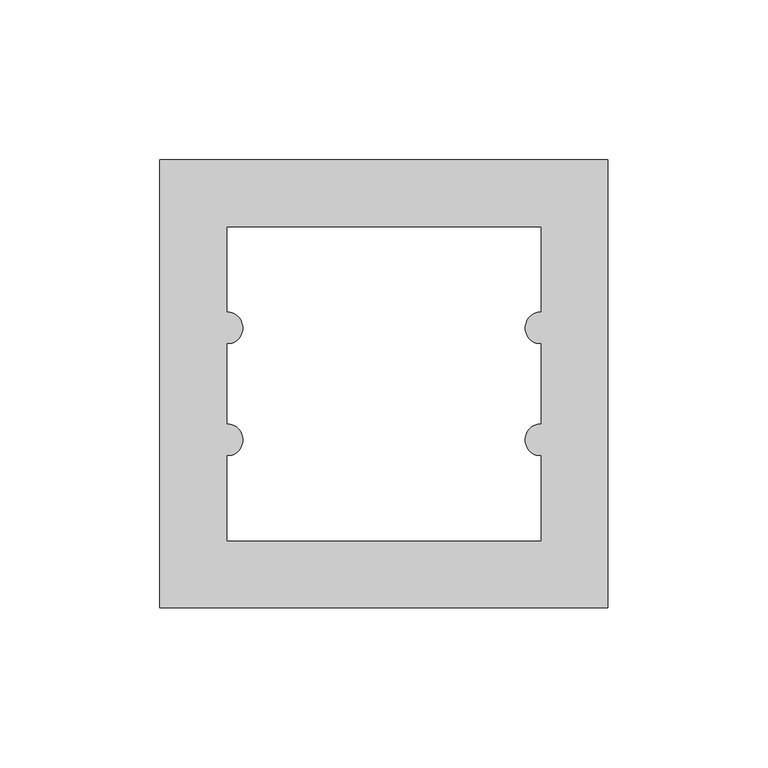
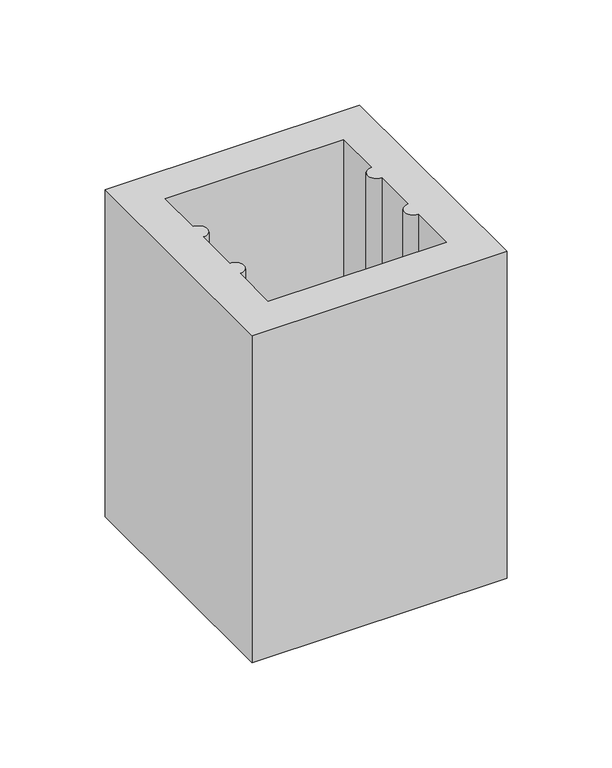
"""IFC4 building model written with IfcOpenShell, lengths in millimetres: proxy geometry."""

import ifcopenshell
import ifcopenshell.guid

model = None  # the IFC model being written
_history = None  # IfcOwnerHistory: only IFC2X3 demands one
_inside = {}  # id of a spatial element -> (the spatial element, [elements in it])
_under = {}  # id of a project, library or spatial element -> (it, [spatial elements below it])
_declared = {}  # id of a project -> (the project, [libraries it declares])
_typed = {}  # id of a type object -> (the type object, [elements of that type])
_made_of = {}  # id of a material, layer set ... -> (it, [elements and type objects made of it])


def new_model(schema):
    """Start an empty IFC model of exactly this schema.

    Asked for "IFC4X3", IfcOpenShell would pick the latest addendum, in which some entities
    have other attributes; the version numbers below select the first issue.
    IFC2X3 requires an IfcOwnerHistory on every rooted entity: one is made here for all.
    """
    global model, _history
    if schema == "IFC4X3":
        model = ifcopenshell.file(schema_version=(4, 3, 0, 0))
    else:
        model = ifcopenshell.file(schema=schema)
    _inside.clear()
    _under.clear()
    _declared.clear()
    _typed.clear()
    _made_of.clear()
    _history = None
    if model.schema == "IFC2X3":
        org = make("IfcOrganization", Name="unknown")
        user = make(
            "IfcPersonAndOrganization",
            ThePerson=make("IfcPerson", FamilyName="unknown"),
            TheOrganization=org,
        )
        app = make(
            "IfcApplication",
            ApplicationDeveloper=org,
            Version="unknown",
            ApplicationFullName="unknown",
            ApplicationIdentifier="unknown",
        )
        _history = make(
            "IfcOwnerHistory",
            OwningUser=user,
            OwningApplication=app,
            ChangeAction="ADDED",
            CreationDate=0,
        )
    return model


def make(cls, **values):
    """One entity of the class cls with the attributes given. An attribute that is None is left unset."""
    return model.create_entity(
        cls, **{name: value for name, value in values.items() if value is not None}
    )


def rooted(cls, **values):
    """An entity with a GlobalId (a new one), such as an element, a storey or a relation."""
    return make(cls, GlobalId=ifcopenshell.guid.new(), OwnerHistory=_history, **values)


def si_unit(unit_type, name, prefix=None):
    """IfcSIUnit, for example si_unit("LENGTHUNIT", "METRE", prefix="MILLI")."""
    return make("IfcSIUnit", UnitType=unit_type, Prefix=prefix, Name=name)


def assignment(units):
    """IfcUnitAssignment: the units of a project."""
    return None if units is None else make("IfcUnitAssignment", Units=units)


def point(xyz):
    """IfcCartesianPoint."""
    return None if xyz is None else make("IfcCartesianPoint", Coordinates=xyz)


def direction(xyz):
    """IfcDirection."""
    return None if xyz is None else make("IfcDirection", DirectionRatios=xyz)


def frame(location, z_axis=None, x_axis=None):
    """IfcAxis2Placement3D, a coordinate frame: its origin and axes. An axis left out is left unset."""
    return make(
        "IfcAxis2Placement3D",
        Location=point(location),
        Axis=direction(z_axis),
        RefDirection=direction(x_axis),
    )


def frame_2d(location, x_axis=None):
    """IfcAxis2Placement2D, a coordinate frame in the plane: its origin and x axis."""
    return make(
        "IfcAxis2Placement2D", Location=point(location), RefDirection=direction(x_axis)
    )


def origin():
    """The frame at (0, 0, 0) with its axes left unset."""
    return frame((0.0, 0.0, 0.0))


def origin_with_axes():
    """The frame at (0, 0, 0) with the z axis (0, 0, 1) and the x axis (1, 0, 0) written out."""
    return frame((0.0, 0.0, 0.0), z_axis=(0.0, 0.0, 1.0), x_axis=(1.0, 0.0, 0.0))


def place(relative_to, where):
    """IfcLocalPlacement: puts the frame where relative to a parent placement (None: the world)."""
    return make(
        "IfcLocalPlacement", PlacementRelTo=relative_to, RelativePlacement=where
    )


def context(
    kind, dimensions, precision=None, world=None, true_north=None, identifier=None
):
    """IfcGeometricRepresentationContext, for example the 3D "Model" context."""
    return make(
        "IfcGeometricRepresentationContext",
        ContextIdentifier=identifier,
        ContextType=kind,
        CoordinateSpaceDimension=dimensions,
        Precision=precision,
        WorldCoordinateSystem=world,
        TrueNorth=true_north,
    )


def project(units=None, contexts=None):
    """IfcProject with its units and contexts."""
    return rooted(
        "IfcProject",
        Name="project",
        RepresentationContexts=contexts,
        UnitsInContext=assignment(units),
    )


def spatial(cls, under=None, at=None, **own):
    """A site, building, storey or space (cls), placed at a placement, below another one or the project."""
    s = rooted(cls, ObjectPlacement=at, **own)
    if under is not None:
        _under.setdefault(under.id(), (under, []))[1].append(s)
    return s


def polyline(points):
    """IfcPolyline through the points."""
    return make("IfcPolyline", Points=[point(p) for p in points])


def circle_curve(where, radius):
    """IfcCircle in the frame where."""
    return make("IfcCircle", Position=where, Radius=radius)


def trimmed(basis, trim1, trim2, sense, master):
    """IfcTrimmedCurve: the piece of a basis curve between two trims."""
    return make(
        "IfcTrimmedCurve",
        BasisCurve=basis,
        Trim1=trim1,
        Trim2=trim2,
        SenseAgreement=sense,
        MasterRepresentation=master,
    )


def segment(curve, same_sense, transition):
    """IfcCompositeCurveSegment."""
    return make(
        "IfcCompositeCurveSegment",
        Transition=transition,
        SameSense=same_sense,
        ParentCurve=curve,
    )


def composite_curve(segments, self_intersect=None):
    """IfcCompositeCurve: segments joined end to end."""
    return make("IfcCompositeCurve", Segments=segments, SelfIntersect=self_intersect)


def outline(outer, holes=None, kind="AREA"):
    """IfcArbitraryClosedProfileDef: a profile drawn as a closed curve; with holes, ...WithVoids."""
    if holes is None:
        return make("IfcArbitraryClosedProfileDef", ProfileType=kind, OuterCurve=outer)
    return make(
        "IfcArbitraryProfileDefWithVoids",
        ProfileType=kind,
        OuterCurve=outer,
        InnerCurves=holes,
    )


def extrude(swept, where, along, depth):
    """IfcExtrudedAreaSolid: the profile swept, set in the frame where, extruded along a direction by depth."""
    return make(
        "IfcExtrudedAreaSolid",
        SweptArea=swept,
        Position=where,
        ExtrudedDirection=direction(along),
        Depth=depth,
    )


def shape(context_of_items, identifier, shape_type, items):
    """IfcShapeRepresentation: the items that make up one representation, for example the "Body"."""
    return make(
        "IfcShapeRepresentation",
        ContextOfItems=context_of_items,
        RepresentationIdentifier=identifier,
        RepresentationType=shape_type,
        Items=items,
    )


def source(mapping_origin, context_of_items, identifier, shape_type, items):
    """IfcRepresentationMap: a shape defined once, which mapped items show again and again."""
    return make(
        "IfcRepresentationMap",
        MappingOrigin=mapping_origin,
        MappedRepresentation=shape(context_of_items, identifier, shape_type, items),
    )


def transform(
    local_origin,
    x_axis=None,
    y_axis=None,
    z_axis=None,
    scale=None,
    scale2=None,
    scale3=None,
    uniform=True,
):
    """IfcCartesianTransformationOperator3D, or its non-uniform kind. x_axis, y_axis, z_axis: its Axis1, 2, 3."""
    if uniform:
        return make(
            "IfcCartesianTransformationOperator3D",
            Axis1=direction(x_axis),
            Axis2=direction(y_axis),
            LocalOrigin=point(local_origin),
            Scale=scale,
            Axis3=direction(z_axis),
        )
    return make(
        "IfcCartesianTransformationOperator3DnonUniform",
        Axis1=direction(x_axis),
        Axis2=direction(y_axis),
        LocalOrigin=point(local_origin),
        Scale=scale,
        Axis3=direction(z_axis),
        Scale2=scale2,
        Scale3=scale3,
    )


def mapped(mapping_source, mapping_target):
    """IfcMappedItem: shows the shape of a source again, moved by a transform."""
    return make(
        "IfcMappedItem", MappingSource=mapping_source, MappingTarget=mapping_target
    )


def made_of(thing, what):
    """Note that an element or type object is made of a material, layer set ...; save() writes the relation."""
    if what is not None:
        _made_of.setdefault(what.id(), (what, []))[1].append(thing)
    return thing


def element(
    cls,
    number,
    at=None,
    inside=None,
    cuts=None,
    type_object=None,
    material=None,
    context=None,
    identifier="Body",
    shape_type=None,
    held_by="IfcProductDefinitionShape",
    body=None,
    shapes=None,
    **own,
):
    """One element of the class cls, such as IfcWall. Its Tag is "e" and its number.

    at: its placement. inside: the storey or other place that contains it. cuts: it is an
    opening in that element (IfcRelVoidsElement). A single representation is given by context,
    identifier, shape_type and body (its items); several are given by shapes. held_by: the class
    of the entity that holds the representations. save() writes the other relations.
    """
    e = rooted(cls, Tag="e%d" % number, ObjectPlacement=at, **own)
    if body is not None:
        shapes = [shape(context, identifier, shape_type, body)]
    if shapes is not None:
        e.Representation = make(held_by, Representations=shapes)
    if inside is not None:
        _inside.setdefault(inside.id(), (inside, []))[1].append(e)
    if cuts is not None:
        rooted(
            "IfcRelVoidsElement", RelatingBuildingElement=cuts, RelatedOpeningElement=e
        )
    if type_object is not None:
        _typed.setdefault(type_object.id(), (type_object, []))[1].append(e)
    return made_of(e, material)


def aggregate(whole, parts):
    """IfcRelAggregates: a whole, such as a stair, and the parts it consists of."""
    return rooted("IfcRelAggregates", RelatingObject=whole, RelatedObjects=parts)


def save(model, path):
    """Write the relations noted so far, then the file.

    IfcRelAggregates (storeys below a building ...), IfcRelContainedInSpatialStructure (elements
    in a storey), IfcRelDefinesByType, IfcRelAssociatesMaterial and IfcRelDeclares: one each for
    every whole, place, type object, material and project.
    """
    for whole, parts in _under.values():
        aggregate(whole, parts)
    for where, things in _inside.values():
        rooted(
            "IfcRelContainedInSpatialStructure",
            RelatedElements=things,
            RelatingStructure=where,
        )
    for kind, things in _typed.values():
        rooted("IfcRelDefinesByType", RelatedObjects=things, RelatingType=kind)
    for what, things in _made_of.values():
        rooted("IfcRelAssociatesMaterial", RelatedObjects=things, RelatingMaterial=what)
    for by, libraries in _declared.values():
        rooted("IfcRelDeclares", RelatingContext=by, RelatedDefinitions=libraries)
    model.write(path)


def generic_models_ee354e35(model_context):
    return source(origin(), model_context, "Body", "SweptSolid", [
        extrude(outline(polyline([(140.0, 0.0), (0.0, 0.0), (0.0, 140.0), (140.0, 140.0), (140.0, 0.0)]), holes=[composite_curve([segment(polyline([(21.0, 21.0), (119.0, 21.0), (119.0, 47.5)]), True, "CONTINUOUS"), segment(trimmed(circle_curve(frame_2d((119.0, 52.5)), 5.0), [point((119.0, 47.5))], [point((119.0, 57.5))], False, "CARTESIAN"), True, "CONTINUOUS"), segment(polyline([(119.0, 57.5), (119.0, 82.5)]), True, "CONTINUOUS"), segment(trimmed(circle_curve(frame_2d((119.0, 87.5)), 5.0), [point((119.0, 82.5))], [point((119.0, 92.5))], False, "CARTESIAN"), True, "CONTINUOUS"), segment(polyline([(119.0, 92.5), (119.0, 119.0), (21.0, 119.0), (21.0, 92.5)]), True, "CONTINUOUS"), segment(trimmed(circle_curve(frame_2d((21.0, 87.5)), 5.0), [point((21.0, 92.5))], [point((21.0, 82.5))], False, "CARTESIAN"), True, "CONTINUOUS"), segment(polyline([(21.0, 82.5), (21.0, 57.5)]), True, "CONTINUOUS"), segment(trimmed(circle_curve(frame_2d((21.0, 52.5)), 5.0), [point((21.0, 57.5))], [point((21.0, 47.5))], False, "CARTESIAN"), True, "CONTINUOUS"), segment(polyline([(21.0, 47.5), (21.0, 21.0)]), True, "CONTINUOUS")], self_intersect=False)]), origin_with_axes(), (0.0, 0.0, 1.0), 190.0),
    ])


if __name__ == "__main__":
    model = new_model("IFC4")
    model_context = context("Model", 3, world=origin())
    ifc_project = project(units=[si_unit("LENGTHUNIT", "METRE", prefix="MILLI")], contexts=[model_context])
    site = spatial("IfcSite", under=ifc_project)
    building = spatial("IfcBuilding", under=site)
    placement = place(None, origin())
    generic_models_shape = generic_models_ee354e35(model_context)
    element("IfcBuildingElementProxy", 1, Name="Generic Models", at=placement, inside=building, context=model_context, shape_type="MappedRepresentation", body=[
        mapped(generic_models_shape, transform((0.0, 0.0, 0.0), x_axis=(1.0, 0.0, 0.0), y_axis=(0.0, 1.0, 0.0), z_axis=(0.0, 0.0, 1.0))),
    ])
    save(model, "model.ifc")
